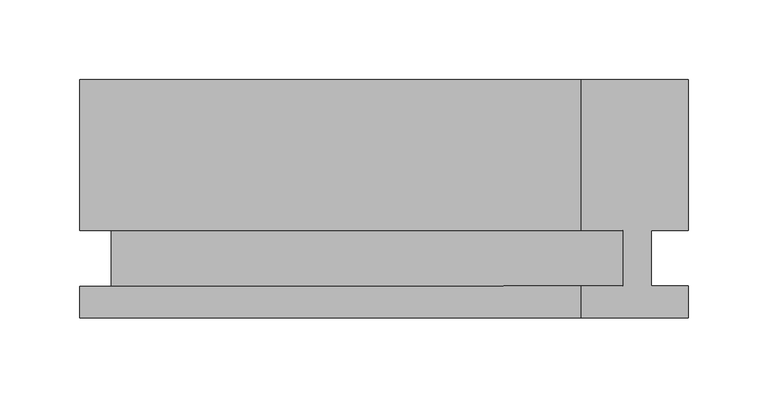
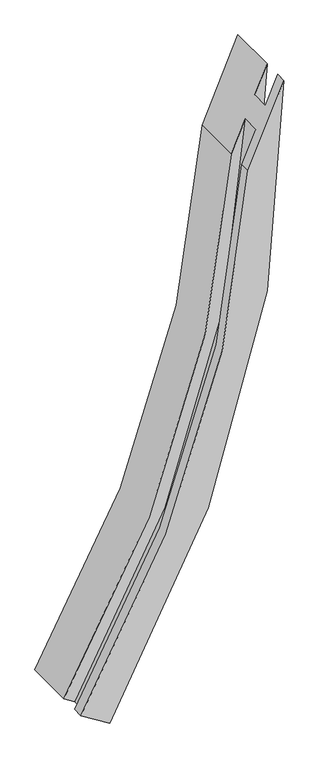
"""IFC4 building model written with IfcOpenShell, lengths in millimetres: member geometry."""

from ifc_helpers import new_model, si_unit, frame, origin, place, context, project, spatial, polyline, circle_curve, source, transform, mapped, element, save
from ifc_brep_helpers import plane_surface, cylinder_surface, revolved_surface, advanced_brep


def member_3cbf22c3(model_context):
    return source(origin(), model_context, "Body", "AdvancedBrep", [
        advanced_brep(
        [(-328.4616946, -37.0, -1122.932978), (-0.4604105, -37.0, 43.8012648), (-68.1316918, -37.0, -112.4028993), (-383.2157497, -37.0, -1087.9045118), (-328.4616946, -17.0, -1122.932978), (-0.4604105, -17.0, 43.8012648), (-348.5206321, -17.0, -1110.1004341), (-23.8375541, -17.0, -10.1596934), (-348.5206321, 18.0, -1110.1004341), (-23.8375541, 18.0, -10.1596934), (-328.4616946, 18.0, -1122.932978), (-0.4604105, 18.0, 43.8012648), (-328.4616946, 113.0, -1122.932978), (-0.4604105, 113.0, 43.8012648), (-383.2157497, 113.0, -1087.9045118), (-68.1316918, 113.0, -112.4028993), (-383.2157497, 18.0, -1087.9045118), (-68.1316918, 18.0, -112.4028993), (-363.1568122, 18.0, -1100.7370557), (-41.8424065, 18.0, -51.7199071), (-363.1568122, -17.0, -1100.7370557), (-41.8424065, -17.0, -51.7199071), (-383.2157497, -17.0, -1087.9045118), (-68.1316918, -17.0, -112.4028993)],
        [
            (0, 1, circle_curve(frame((-2083.7522008, -37.0, 0.0), z_axis=(0.0, -1.0, 0.0), x_axis=(1.0, 0.0, 0.0)), 2083.7522008)),
            (1, 2),
            (2, 3, circle_curve(frame((-2083.7522008, -37.0, 0.0), z_axis=(0.0, 1.0, 0.0), x_axis=(1.0, 0.0, 0.0)), 2018.7522008)),
            (3, 0),
            (4, 5, circle_curve(frame((-2083.7522008, -17.0, 0.0), z_axis=(0.0, -1.0, 0.0), x_axis=(1.0, 0.0, 0.0)), 2083.7522008)),
            (5, 1),
            (0, 4),
            (6, 7, circle_curve(frame((-2083.7522008, -17.0, 0.0), z_axis=(0.0, -1.0, 0.0), x_axis=(1.0, 0.0, 0.0)), 2059.9397008)),
            (7, 5),
            (4, 6),
            (8, 9, circle_curve(frame((-2083.7522008, 18.0, 0.0), z_axis=(0.0, -1.0, 0.0), x_axis=(1.0, 0.0, 0.0)), 2059.9397008)),
            (9, 7),
            (6, 8),
            (10, 11, circle_curve(frame((-2083.7522008, 18.0, 0.0), z_axis=(0.0, -1.0, 0.0), x_axis=(1.0, 0.0, 0.0)), 2083.7522008)),
            (11, 9),
            (8, 10),
            (12, 13, circle_curve(frame((-2083.7522008, 113.0, 0.0), z_axis=(0.0, -1.0, 0.0), x_axis=(1.0, 0.0, 0.0)), 2083.7522008)),
            (13, 11),
            (10, 12),
            (14, 15, circle_curve(frame((-2083.7522008, 113.0, 0.0), z_axis=(0.0, -1.0, 0.0), x_axis=(1.0, 0.0, 0.0)), 2018.7522008)),
            (15, 13),
            (12, 14),
            (16, 17, circle_curve(frame((-2083.7522008, 18.0, 0.0), z_axis=(0.0, -1.0, 0.0), x_axis=(1.0, 0.0, 0.0)), 2018.7522008)),
            (17, 15),
            (14, 16),
            (18, 19, circle_curve(frame((-2083.7522008, 18.0, 0.0), z_axis=(0.0, -1.0, 0.0), x_axis=(1.0, 0.0, 0.0)), 2042.5647008)),
            (19, 17),
            (16, 18),
            (20, 21, circle_curve(frame((-2083.7522008, -17.0, 0.0), z_axis=(0.0, -1.0, 0.0), x_axis=(1.0, 0.0, 0.0)), 2042.5647008)),
            (21, 19),
            (18, 20),
            (22, 23, circle_curve(frame((-2083.7522008, -17.0, 0.0), z_axis=(0.0, -1.0, 0.0), x_axis=(1.0, 0.0, 0.0)), 2018.7522008)),
            (23, 21),
            (20, 22),
            (2, 23),
            (22, 3),
        ],
        [
            plane_surface(frame((-2083.7522008, -37.0, 0.0), z_axis=(0.0, -1.0, 0.0), x_axis=(1.0, 0.0, 0.0))),
            cylinder_surface(frame((-2083.7522008, 0.0, 0.0), z_axis=(0.0, 1.0, 0.0), x_axis=(1.0, 0.0, 0.0)), 2083.7522008),
            plane_surface(frame((-2083.7522008, -17.0, 0.0), z_axis=(0.0, 1.0, 0.0), x_axis=(1.0, 0.0, 0.0))),
            cylinder_surface(frame((-2083.7522008, 0.0, 0.0), z_axis=(0.0, 1.0, 0.0), x_axis=(1.0, 0.0, 0.0)), 2059.9397008),
            plane_surface(frame((-2083.7522008, 18.0, 0.0), z_axis=(0.0, -1.0, 0.0), x_axis=(1.0, 0.0, 0.0))),
            plane_surface(frame((-2083.7522008, 113.0, 0.0), z_axis=(0.0, 1.0, 0.0), x_axis=(1.0, 0.0, 0.0))),
            revolved_surface(polyline([(-65.0, 113.0, 0.0), (-65.0, 18.0, 0.0)]), (-2083.7522008, 0.0, 0.0), (0.0, 1.0, 0.0)),
            revolved_surface(polyline([(-41.1875, 18.0, 0.0), (-41.1875, -17.0, 0.0)]), (-2083.7522008, 0.0, 0.0), (0.0, 1.0, 0.0)),
            revolved_surface(polyline([(-65.0, -17.0, 0.0), (-65.0, -37.0, 0.0)]), (-2083.7522008, 0.0, 0.0), (0.0, 1.0, 0.0)),
            plane_surface(frame((-32.7295211, 0.0, -30.6848297), z_axis=(-0.917592461074377, 0.0, 0.3975224212286245), x_axis=(-0.3975224212286245, 0.0, -0.917592461074377))),
            plane_surface(frame((-71.7072945, 0.0, -1287.1895396), z_axis=(-0.5388994802510414, 0.0, -0.8423700791131874), x_axis=(0.0, -1.0, 0.0))),
        ],
        [
            (0, [[1, 2, 3, 4]]),
            (1, [[5, 6, -1, 7]]),
            (2, [[8, 9, -5, 10]]),
            (3, [[11, 12, -8, 13]]),
            (4, [[14, 15, -11, 16]]),
            (1, [[17, 18, -14, 19]]),
            (5, [[20, 21, -17, 22]]),
            (6, [[23, 24, -20, 25]]),
            (4, [[26, 27, -23, 28]]),
            (7, [[29, 30, -26, 31]]),
            (2, [[32, 33, -29, 34]]),
            (8, [[-3, 35, -32, 36]]),
            (9, [[-2, -6, -9, -12, -15, -18, -21, -24, -27, -30, -33, -35]]),
            (10, [[-36, -34, -31, -28, -25, -22, -19, -16, -13, -10, -7, -4]]),
        ],
    ),
    ])


if __name__ == "__main__":
    model = new_model("IFC4")
    model_context = context("Model", 3, world=origin())
    ifc_project = project(units=[si_unit("LENGTHUNIT", "METRE", prefix="MILLI")], contexts=[model_context])
    site = spatial("IfcSite", under=ifc_project)
    building = spatial("IfcBuilding", under=site)
    placement = place(None, origin())
    member_shape = member_3cbf22c3(model_context)
    element("IfcMember", 1, at=placement, inside=building, context=model_context, shape_type="MappedRepresentation", body=[
        mapped(member_shape, transform((0.0, 0.0, 0.0), x_axis=(1.0, 0.0, 0.0), y_axis=(0.0, 1.0, 0.0), z_axis=(0.0, 0.0, 1.0))),
    ])
    save(model, "model.ifc")
